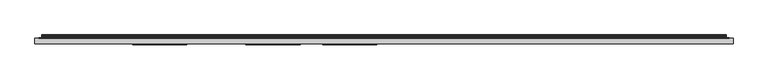
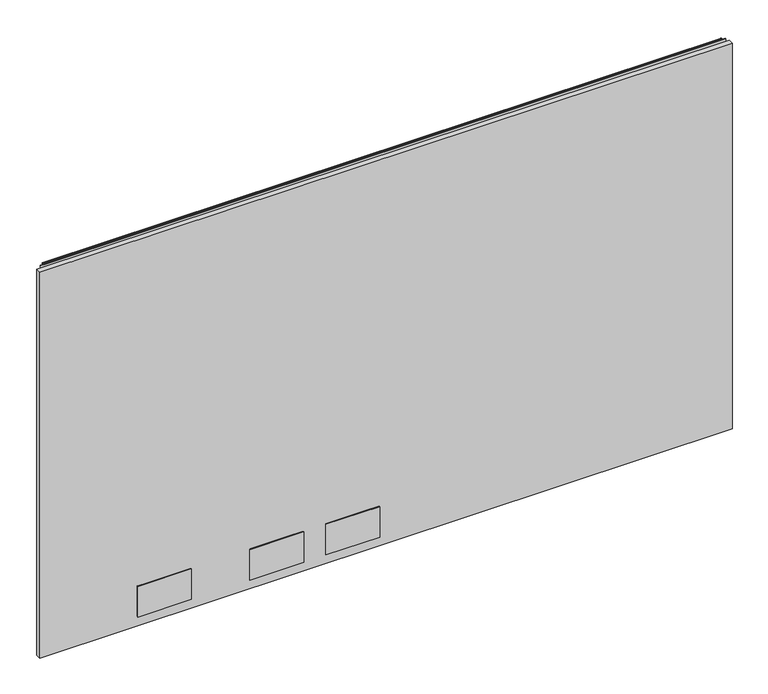
"""IFC4 building model written with IfcOpenShell, lengths in millimetres: furniture geometry."""

from ifc_helpers import new_model, si_unit, point, frame, frame_2d, origin, place, context, project, spatial, polyline, circle_curve, trimmed, segment, composite_curve, outline, extrude, source, transform, mapped, element, save


def furniture_b2692429(model_context):
    return source(origin(), model_context, "Body", "SweptSolid", [
        extrude(outline(polyline([(1.778, 1.45288), (1.778, 10.9778796), (1217.4219835, 10.9778796), (1217.4219835, 1.45288), (1.778, 1.45288)])), frame((0.0, 0.0, 14.8336), z_axis=(0.0, 0.0, 1.0), x_axis=(1.0, 0.0, 0.0)), (0.0, 0.0, 1.0), 715.7592871),
        extrude(outline(polyline([(266.572991, -0.57912), (172.3390082, -0.57912), (172.3390082, 1.45288), (266.572991, 1.45288), (266.572991, -0.57912)])), frame((0.0, 0.0, 32.3595996), z_axis=(0.0, 0.0, 1.0), x_axis=(1.0, 0.0, 0.0)), (0.0, 0.0, 1.0), 56.6420005),
        extrude(outline(polyline([(463.422985, -0.57912), (369.188984, -0.57912), (369.188984, 1.45288), (463.422985, 1.45288), (463.422985, -0.57912)])), frame((0.0, 0.0, 32.3595996), z_axis=(0.0, 0.0, 1.0), x_axis=(1.0, 0.0, 0.0)), (0.0, 0.0, 1.0), 56.6420005),
        extrude(outline(polyline([(596.772985, -0.57912), (502.538984, -0.57912), (502.538984, 1.45288), (596.772985, 1.45288), (596.772985, -0.57912)])), frame((0.0, 0.0, 32.3595996), z_axis=(0.0, 0.0, 1.0), x_axis=(1.0, 0.0, 0.0)), (0.0, 0.0, 1.0), 56.6420005),
        extrude(outline(composite_curve([segment(polyline([(10.9778796, 735.0189024), (10.9778796, 735.9613903)]), True, "CONTINUOUS"), segment(trimmed(circle_curve(frame_2d((11.6164846, 735.9613903)), 0.638605), [point((10.9778796, 735.9613903))], [point((11.6164846, 736.5999953))], False, "CARTESIAN"), True, "CONTINUOUS"), segment(polyline([(11.6164846, 736.5999953), (13.251317, 736.5999953)]), True, "CONTINUOUS"), segment(trimmed(circle_curve(frame_2d((13.251317, 734.2266753)), 2.37332), [point((13.251317, 736.5999953))], [point((15.6071079, 733.9387575))], False, "CARTESIAN"), True, "CONTINUOUS"), segment(polyline([(15.6071079, 733.9387575), (15.2080413, 730.6735287)]), True, "CONTINUOUS"), segment(trimmed(circle_curve(frame_2d((17.5068753, 730.3925719)), 2.3159393), [point((15.2080413, 730.6735287))], [point((15.5012134, 729.2346018))], True, "CARTESIAN"), True, "CONTINUOUS"), segment(polyline([(15.5012134, 729.2346018), (16.6600675, 727.2274087), (15.9781592, 726.8337085), (14.819305, 728.8409016)]), True, "CONTINUOUS"), segment(trimmed(circle_curve(frame_2d((17.5068753, 730.3925719)), 3.1033393), [point((14.819305, 728.8409016))], [point((14.4264569, 730.7690516))], False, "CARTESIAN"), True, "CONTINUOUS"), segment(polyline([(14.4264569, 730.7690516), (14.8255236, 734.0342804)]), True, "CONTINUOUS"), segment(trimmed(circle_curve(frame_2d((13.251317, 734.2266753)), 1.58592), [point((14.8255236, 734.0342804))], [point((13.251317, 735.8125953))], True, "CARTESIAN"), True, "CONTINUOUS"), segment(polyline([(13.251317, 735.8125953), (11.7652796, 735.8125953), (11.7652796, 735.0189024), (10.9778796, 735.0189024)]), True, "CONTINUOUS")], self_intersect=False)), frame((13.7160002, 0.0, 0.0), z_axis=(1.0, 0.0, 0.0), x_axis=(0.0, 1.0, 0.0)), (0.0, 0.0, 1.0), 1191.7680076),
        extrude(outline(polyline([(8.1280002, 10.9778796), (8.1280002, 11.7652796), (1211.0720078, 11.7652796), (1211.0720078, 10.9778796), (8.1280002, 10.9778796)])), frame((0.0, 0.0, 704.3420079), z_axis=(0.0, 0.0, 1.0), x_axis=(1.0, 0.0, 0.0)), (0.0, 0.0, 1.0), 30.8009179),
    ])


if __name__ == "__main__":
    model = new_model("IFC4")
    model_context = context("Model", 3, world=origin())
    ifc_project = project(units=[si_unit("LENGTHUNIT", "METRE", prefix="MILLI")], contexts=[model_context])
    site = spatial("IfcSite", under=ifc_project)
    building = spatial("IfcBuilding", under=site)
    placement = place(None, origin())
    furniture_shape = furniture_b2692429(model_context)
    element("IfcFurniture", 1, at=placement, inside=building, context=model_context, shape_type="MappedRepresentation", body=[
        mapped(furniture_shape, transform((0.0, 0.0, 0.0), x_axis=(1.0, 0.0, 0.0), y_axis=(0.0, 1.0, 0.0), z_axis=(0.0, 0.0, 1.0))),
    ])
    save(model, "model.ifc")
